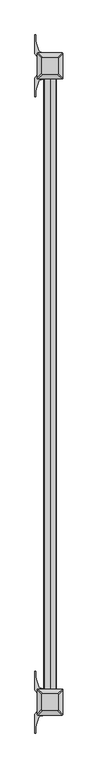
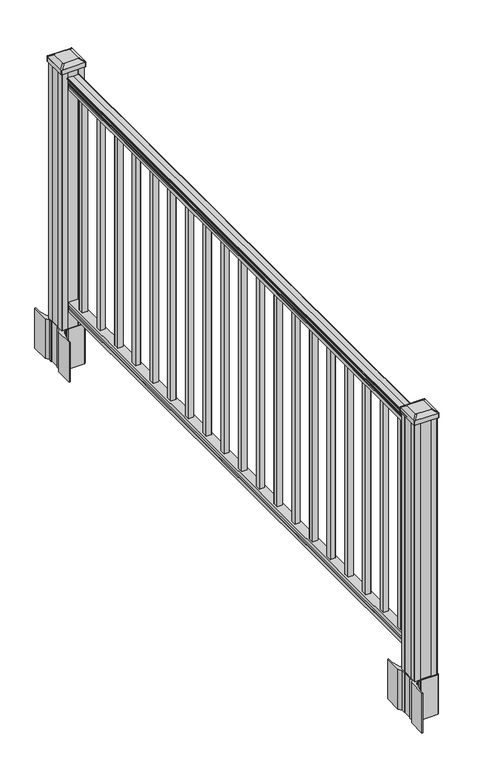
"""IFC4 building model written with IfcOpenShell, lengths in millimetres: railing geometry."""

from ifc_helpers import new_model, si_unit, point, frame, frame_2d, origin, origin_with_axes, place, context, project, spatial, polyline, circle_curve, trimmed, segment, composite_curve, outline, extrude, source, transform, mapped, element, save
from ifc_brep_helpers import plane_surface, extruded_surface, advanced_brep


def railing_696e8244(model_context):
    return source(origin(), model_context, "Body", "SolidModel", [
        extrude(outline(composite_curve([segment(polyline([(938.4043297, 416.8116941), (940.292412, 416.8116941)]), True, "CONTINUOUS"), segment(trimmed(circle_curve(frame_2d((946.0506383, 410.4969408)), 8.545951), [point((940.292412, 416.8116941))], [point((941.8546695, 417.9418804))], False, "CARTESIAN"), True, "CONTINUOUS"), segment(trimmed(circle_curve(frame_2d((945.4636577, 410.9340038)), 7.882584), [point((941.8546695, 417.9418804))], [point((949.0726458, 417.9418804))], False, "CARTESIAN"), True, "CONTINUOUS"), segment(trimmed(circle_curve(frame_2d((951.3112527, 421.4473279)), 4.1592695), [point((949.0726458, 417.9418804))], [point((951.5060812, 417.292624))], True, "CARTESIAN"), True, "CONTINUOUS"), segment(trimmed(circle_curve(frame_2d((951.2508864, 422.7346345)), 5.4479907), [point((951.5060812, 417.292624))], [point((955.8362083, 419.792624))], True, "CARTESIAN"), True, "CONTINUOUS"), segment(trimmed(circle_curve(frame_2d((955.833395, 421.501476)), 1.7088543), [point((955.8362083, 419.792624))], [point((957.5157972, 421.2019664))], True, "CARTESIAN"), True, "CONTINUOUS"), segment(trimmed(circle_curve(frame_2d((958.6205318, 419.8845759)), 1.7192895), [point((957.5157972, 421.2019664))], [point((958.6205318, 421.6038654))], False, "CARTESIAN"), True, "CONTINUOUS"), segment(polyline([(958.6205318, 421.6038654), (959.9608158, 421.6038654)]), True, "CONTINUOUS"), segment(trimmed(circle_curve(frame_2d((959.9608158, 420.0504181)), 1.5534472), [point((959.9608158, 421.6038654))], [point((961.514263, 420.0504181))], False, "CARTESIAN"), True, "CONTINUOUS"), segment(polyline([(961.514263, 420.0504181), (961.514263, 399.3788654), (961.514263, 378.7073126)]), True, "CONTINUOUS"), segment(trimmed(circle_curve(frame_2d((959.9608158, 378.7073126)), 1.5534472), [point((961.514263, 378.7073126))], [point((959.9608158, 377.1538654))], False, "CARTESIAN"), True, "CONTINUOUS"), segment(polyline([(959.9608158, 377.1538654), (958.6205318, 377.1538654)]), True, "CONTINUOUS"), segment(trimmed(circle_curve(frame_2d((958.6205318, 378.8731548)), 1.7192895), [point((958.6205318, 377.1538654))], [point((957.5157972, 377.5557643))], False, "CARTESIAN"), True, "CONTINUOUS"), segment(trimmed(circle_curve(frame_2d((955.833395, 377.2562547)), 1.7088543), [point((957.5157972, 377.5557643))], [point((955.8362083, 378.9651067))], True, "CARTESIAN"), True, "CONTINUOUS"), segment(trimmed(circle_curve(frame_2d((951.2508864, 376.0230963)), 5.4479907), [point((955.8362083, 378.9651067))], [point((951.5060812, 381.4651067))], True, "CARTESIAN"), True, "CONTINUOUS"), segment(trimmed(circle_curve(frame_2d((951.3112527, 377.3104028)), 4.1592695), [point((951.5060812, 381.4651067))], [point((949.0726458, 380.8158503))], True, "CARTESIAN"), True, "CONTINUOUS"), segment(trimmed(circle_curve(frame_2d((945.4636577, 387.8237269)), 7.882584), [point((949.0726458, 380.8158503))], [point((941.8546695, 380.8158503))], False, "CARTESIAN"), True, "CONTINUOUS"), segment(trimmed(circle_curve(frame_2d((946.0506383, 388.2607899)), 8.545951), [point((941.8546695, 380.8158503))], [point((940.292412, 381.9460366))], False, "CARTESIAN"), True, "CONTINUOUS"), segment(polyline([(940.292412, 381.9460366), (938.4043297, 381.9460366)]), True, "CONTINUOUS"), segment(trimmed(circle_curve(frame_2d((938.4043297, 383.232951)), 1.2869144), [point((938.4043297, 381.9460366))], [point((938.4043297, 384.5198654))], False, "CARTESIAN"), True, "CONTINUOUS"), segment(polyline([(938.4043297, 384.5198654), (927.9048283, 384.5198654), (926.8888283, 383.5038654), (914.4, 383.5038654), (914.4, 415.2538654), (926.731013, 415.2538654), (927.747013, 414.2378654), (938.4043297, 414.2378654)]), True, "CONTINUOUS"), segment(trimmed(circle_curve(frame_2d((938.4043297, 415.5247797)), 1.2869144), [point((938.4043297, 414.2378654))], [point((938.4043297, 416.8116941))], False, "CARTESIAN"), True, "CONTINUOUS")], self_intersect=False)), frame((0.0, -6619.2427062, 0.0), z_axis=(0.0, 1.0, 0.0), x_axis=(0.0, 0.0, 1.0)), (0.0, 0.0, 1.0), 2133.6),
        extrude(outline(polyline([(76.0541976, 415.2913523), (77.3546183, 414.2753523), (87.7141717, 414.2753523), (89.0624492, 415.2913523), (101.5958781, 415.2913523), (101.5958781, 383.5413523), (89.0458024, 383.5413523), (87.6975248, 384.5573523), (77.3858283, 384.5573523), (76.0375508, 383.5413523), (63.5, 383.5413523), (63.5, 415.2913523), (76.0541976, 415.2913523)])), frame((0.0, -6619.2427062, 0.0), z_axis=(0.0, 1.0, 0.0), x_axis=(0.0, 0.0, 1.0)), (0.0, 0.0, 1.0), 2133.6),
        extrude(outline(polyline([(408.9038654, -4559.4297062), (389.8538654, -4559.4297062), (389.8538654, -4540.3797062), (408.9038654, -4540.3797062), (408.9038654, -4559.4297062)]), holes=[polyline([(408.5069904, -4559.0328312), (408.5069904, -4540.7765812), (390.2507404, -4540.7765812), (390.2507404, -4559.0328312), (408.5069904, -4559.0328312)])]), frame((0.0, 0.0, 101.5958781), z_axis=(0.0, 0.0, 1.0), x_axis=(1.0, 0.0, 0.0)), (0.0, 0.0, 1.0), 812.8041219),
        extrude(outline(polyline([(408.9038654, -4670.6817062), (389.8538654, -4670.6817062), (389.8538654, -4651.6317062), (408.9038654, -4651.6317062), (408.9038654, -4670.6817062)]), holes=[polyline([(408.5069904, -4670.2848312), (408.5069904, -4652.0285812), (390.2507404, -4652.0285812), (390.2507404, -4670.2848312), (408.5069904, -4670.2848312)])]), frame((0.0, 0.0, 101.5958781), z_axis=(0.0, 0.0, 1.0), x_axis=(1.0, 0.0, 0.0)), (0.0, 0.0, 1.0), 812.8041219),
        extrude(outline(polyline([(408.9038654, -4781.9337062), (389.8538654, -4781.9337062), (389.8538654, -4762.8837062), (408.9038654, -4762.8837062), (408.9038654, -4781.9337062)]), holes=[polyline([(408.5069904, -4781.5368312), (408.5069904, -4763.2805812), (390.2507404, -4763.2805812), (390.2507404, -4781.5368312), (408.5069904, -4781.5368312)])]), frame((0.0, 0.0, 101.5958781), z_axis=(0.0, 0.0, 1.0), x_axis=(1.0, 0.0, 0.0)), (0.0, 0.0, 1.0), 812.8041219),
        extrude(outline(polyline([(408.9038654, -4893.1857062), (389.8538654, -4893.1857062), (389.8538654, -4874.1357062), (408.9038654, -4874.1357062), (408.9038654, -4893.1857062)]), holes=[polyline([(408.5069904, -4892.7888312), (408.5069904, -4874.5325812), (390.2507404, -4874.5325812), (390.2507404, -4892.7888312), (408.5069904, -4892.7888312)])]), frame((0.0, 0.0, 101.5958781), z_axis=(0.0, 0.0, 1.0), x_axis=(1.0, 0.0, 0.0)), (0.0, 0.0, 1.0), 812.8041219),
        extrude(outline(polyline([(408.9038654, -5004.4377062), (389.8538654, -5004.4377062), (389.8538654, -4985.3877062), (408.9038654, -4985.3877062), (408.9038654, -5004.4377062)]), holes=[polyline([(408.5069904, -5004.0408312), (408.5069904, -4985.7845812), (390.2507404, -4985.7845812), (390.2507404, -5004.0408312), (408.5069904, -5004.0408312)])]), frame((0.0, 0.0, 101.5958781), z_axis=(0.0, 0.0, 1.0), x_axis=(1.0, 0.0, 0.0)), (0.0, 0.0, 1.0), 812.8041219),
        extrude(outline(polyline([(408.9038654, -5115.6897062), (389.8538654, -5115.6897062), (389.8538654, -5096.6397062), (408.9038654, -5096.6397062), (408.9038654, -5115.6897062)]), holes=[polyline([(408.5069904, -5115.2928312), (408.5069904, -5097.0365812), (390.2507404, -5097.0365812), (390.2507404, -5115.2928312), (408.5069904, -5115.2928312)])]), frame((0.0, 0.0, 101.5958781), z_axis=(0.0, 0.0, 1.0), x_axis=(1.0, 0.0, 0.0)), (0.0, 0.0, 1.0), 812.8041219),
        extrude(outline(polyline([(408.9038654, -5226.9417062), (389.8538654, -5226.9417062), (389.8538654, -5207.8917062), (408.9038654, -5207.8917062), (408.9038654, -5226.9417062)]), holes=[polyline([(408.5069904, -5226.5448312), (408.5069904, -5208.2885812), (390.2507404, -5208.2885812), (390.2507404, -5226.5448312), (408.5069904, -5226.5448312)])]), frame((0.0, 0.0, 101.5958781), z_axis=(0.0, 0.0, 1.0), x_axis=(1.0, 0.0, 0.0)), (0.0, 0.0, 1.0), 812.8041219),
        extrude(outline(polyline([(408.9038654, -5338.1937062), (389.8538654, -5338.1937062), (389.8538654, -5319.1437062), (408.9038654, -5319.1437062), (408.9038654, -5338.1937062)]), holes=[polyline([(408.5069904, -5337.7968312), (408.5069904, -5319.5405812), (390.2507404, -5319.5405812), (390.2507404, -5337.7968312), (408.5069904, -5337.7968312)])]), frame((0.0, 0.0, 101.5958781), z_axis=(0.0, 0.0, 1.0), x_axis=(1.0, 0.0, 0.0)), (0.0, 0.0, 1.0), 812.8041219),
        extrude(outline(polyline([(408.9038654, -5449.4457062), (389.8538654, -5449.4457062), (389.8538654, -5430.3957062), (408.9038654, -5430.3957062), (408.9038654, -5449.4457062)]), holes=[polyline([(408.5069904, -5449.0488312), (408.5069904, -5430.7925812), (390.2507404, -5430.7925812), (390.2507404, -5449.0488312), (408.5069904, -5449.0488312)])]), frame((0.0, 0.0, 101.5958781), z_axis=(0.0, 0.0, 1.0), x_axis=(1.0, 0.0, 0.0)), (0.0, 0.0, 1.0), 812.8041219),
        extrude(outline(polyline([(408.9038654, -5560.6977062), (389.8538654, -5560.6977062), (389.8538654, -5541.6477062), (408.9038654, -5541.6477062), (408.9038654, -5560.6977062)]), holes=[polyline([(408.5069904, -5560.3008312), (408.5069904, -5542.0445812), (390.2507404, -5542.0445812), (390.2507404, -5560.3008312), (408.5069904, -5560.3008312)])]), frame((0.0, 0.0, 101.5958781), z_axis=(0.0, 0.0, 1.0), x_axis=(1.0, 0.0, 0.0)), (0.0, 0.0, 1.0), 812.8041219),
        extrude(outline(polyline([(408.9038654, -5671.9497062), (389.8538654, -5671.9497062), (389.8538654, -5652.8997062), (408.9038654, -5652.8997062), (408.9038654, -5671.9497062)]), holes=[polyline([(408.5069904, -5671.5528312), (408.5069904, -5653.2965812), (390.2507404, -5653.2965812), (390.2507404, -5671.5528312), (408.5069904, -5671.5528312)])]), frame((0.0, 0.0, 101.5958781), z_axis=(0.0, 0.0, 1.0), x_axis=(1.0, 0.0, 0.0)), (0.0, 0.0, 1.0), 812.8041219),
        extrude(outline(polyline([(408.9038654, -5783.2017062), (389.8538654, -5783.2017062), (389.8538654, -5764.1517062), (408.9038654, -5764.1517062), (408.9038654, -5783.2017062)]), holes=[polyline([(408.5069904, -5782.8048312), (408.5069904, -5764.5485812), (390.2507404, -5764.5485812), (390.2507404, -5782.8048312), (408.5069904, -5782.8048312)])]), frame((0.0, 0.0, 101.5958781), z_axis=(0.0, 0.0, 1.0), x_axis=(1.0, 0.0, 0.0)), (0.0, 0.0, 1.0), 812.8041219),
        extrude(outline(polyline([(408.9038654, -5894.4537062), (389.8538654, -5894.4537062), (389.8538654, -5875.4037062), (408.9038654, -5875.4037062), (408.9038654, -5894.4537062)]), holes=[polyline([(408.5069904, -5894.0568312), (408.5069904, -5875.8005812), (390.2507404, -5875.8005812), (390.2507404, -5894.0568312), (408.5069904, -5894.0568312)])]), frame((0.0, 0.0, 101.5958781), z_axis=(0.0, 0.0, 1.0), x_axis=(1.0, 0.0, 0.0)), (0.0, 0.0, 1.0), 812.8041219),
        extrude(outline(polyline([(408.9038654, -6005.7057062), (389.8538654, -6005.7057062), (389.8538654, -5986.6557062), (408.9038654, -5986.6557062), (408.9038654, -6005.7057062)]), holes=[polyline([(408.5069904, -6005.3088312), (408.5069904, -5987.0525812), (390.2507404, -5987.0525812), (390.2507404, -6005.3088312), (408.5069904, -6005.3088312)])]), frame((0.0, 0.0, 101.5958781), z_axis=(0.0, 0.0, 1.0), x_axis=(1.0, 0.0, 0.0)), (0.0, 0.0, 1.0), 812.8041219),
        extrude(outline(polyline([(408.9038654, -6116.9577062), (389.8538654, -6116.9577062), (389.8538654, -6097.9077062), (408.9038654, -6097.9077062), (408.9038654, -6116.9577062)]), holes=[polyline([(408.5069904, -6116.5608312), (408.5069904, -6098.3045812), (390.2507404, -6098.3045812), (390.2507404, -6116.5608312), (408.5069904, -6116.5608312)])]), frame((0.0, 0.0, 101.5958781), z_axis=(0.0, 0.0, 1.0), x_axis=(1.0, 0.0, 0.0)), (0.0, 0.0, 1.0), 812.8041219),
        extrude(outline(polyline([(408.9038654, -6228.2097062), (389.8538654, -6228.2097062), (389.8538654, -6209.1597062), (408.9038654, -6209.1597062), (408.9038654, -6228.2097062)]), holes=[polyline([(408.5069904, -6227.8128312), (408.5069904, -6209.5565812), (390.2507404, -6209.5565812), (390.2507404, -6227.8128312), (408.5069904, -6227.8128312)])]), frame((0.0, 0.0, 101.5958781), z_axis=(0.0, 0.0, 1.0), x_axis=(1.0, 0.0, 0.0)), (0.0, 0.0, 1.0), 812.8041219),
        extrude(outline(polyline([(408.9038654, -6339.4617062), (389.8538654, -6339.4617062), (389.8538654, -6320.4117062), (408.9038654, -6320.4117062), (408.9038654, -6339.4617062)]), holes=[polyline([(408.5069904, -6339.0648312), (408.5069904, -6320.8085812), (390.2507404, -6320.8085812), (390.2507404, -6339.0648312), (408.5069904, -6339.0648312)])]), frame((0.0, 0.0, 101.5958781), z_axis=(0.0, 0.0, 1.0), x_axis=(1.0, 0.0, 0.0)), (0.0, 0.0, 1.0), 812.8041219),
        extrude(outline(polyline([(408.9038654, -6450.7137062), (389.8538654, -6450.7137062), (389.8538654, -6431.6637062), (408.9038654, -6431.6637062), (408.9038654, -6450.7137062)]), holes=[polyline([(408.5069904, -6450.3168312), (408.5069904, -6432.0605812), (390.2507404, -6432.0605812), (390.2507404, -6450.3168312), (408.5069904, -6450.3168312)])]), frame((0.0, 0.0, 101.5958781), z_axis=(0.0, 0.0, 1.0), x_axis=(1.0, 0.0, 0.0)), (0.0, 0.0, 1.0), 812.8041219),
        extrude(outline(polyline([(408.9038654, -6561.9657062), (389.8538654, -6561.9657062), (389.8538654, -6542.9157062), (408.9038654, -6542.9157062), (408.9038654, -6561.9657062)]), holes=[polyline([(408.5069904, -6561.5688312), (408.5069904, -6543.3125812), (390.2507404, -6543.3125812), (390.2507404, -6561.5688312), (408.5069904, -6561.5688312)])]), frame((0.0, 0.0, 101.5958781), z_axis=(0.0, 0.0, 1.0), x_axis=(1.0, 0.0, 0.0)), (0.0, 0.0, 1.0), 812.8041219),
        extrude(outline(composite_curve([segment(polyline([(442.1143654, -4461.626801), (443.7018654, -4462.388801), (443.7018654, -4485.1907291), (440.3288883, -4488.5637062), (378.8692175, -4488.5637062), (378.8692175, -4489.4844562), (373.5516736, -4489.4844562), (373.5516736, -4490.9387108), (368.4671439, -4490.9387108), (368.4671439, -4492.2227347), (366.7998717, -4492.2227347)]), True, "CONTINUOUS"), segment(trimmed(circle_curve(frame_2d((366.7998717, -4499.2821945)), 7.0594599), [point((366.7998717, -4492.2227347))], [point((360.0326088, -4497.2721879))], True, "CARTESIAN"), True, "CONTINUOUS"), segment(polyline([(360.0326088, -4497.2721879), (352.1584145, -4523.7829169)]), True, "CONTINUOUS"), segment(trimmed(circle_curve(frame_2d((406.9429279, -4540.0549666)), 57.15), [point((352.1584145, -4523.7829169))], [point((349.7929279, -4540.0549666))], True, "CARTESIAN"), True, "CONTINUOUS"), segment(polyline([(349.7929279, -4540.0549666), (349.7929279, -4552.0637062), (346.7929279, -4552.0637062), (346.7929279, -4486.9762062), (355.0558654, -4475.6379148), (355.0558654, -4462.388801), (356.6433654, -4461.626801), (356.6433654, -4426.8546113), (355.0558654, -4426.0926113), (355.0558654, -4412.8434975), (346.7929279, -4401.5052062), (346.7929279, -4336.4177062), (349.7929279, -4336.4177062), (349.7929279, -4348.4264457)]), True, "CONTINUOUS"), segment(trimmed(circle_curve(frame_2d((406.9429279, -4348.4264457)), 57.15), [point((349.7929279, -4348.4264457))], [point((352.1584145, -4364.6984954))], True, "CARTESIAN"), True, "CONTINUOUS"), segment(polyline([(352.1584145, -4364.6984954), (360.0326088, -4391.2092245)]), True, "CONTINUOUS"), segment(trimmed(circle_curve(frame_2d((366.7998717, -4389.1992178)), 7.0594599), [point((360.0326088, -4391.2092245))], [point((366.7998717, -4396.2586776))], True, "CARTESIAN"), True, "CONTINUOUS"), segment(polyline([(366.7998717, -4396.2586776), (368.4671439, -4396.2586776), (368.4671439, -4397.5427015), (373.5516736, -4397.5427015), (373.5516736, -4398.9969562), (378.8692175, -4398.9969562), (378.8692175, -4399.9177062), (440.3288883, -4399.9177062), (443.7018654, -4403.2906832), (443.7018654, -4426.0926113), (442.1143654, -4426.8546113), (442.1143654, -4461.626801)]), True, "CONTINUOUS")], self_intersect=False), holes=[polyline([(358.1038654, -4404.5532062), (358.1038654, -4483.9282062), (359.6913654, -4485.5157062), (396.615648, -4485.5157062), (439.0663654, -4485.5157062), (440.6538654, -4483.9282062), (440.6538654, -4404.5532062), (439.0663654, -4402.9657062), (396.615648, -4402.9657062), (359.6913654, -4402.9657062), (358.1038654, -4404.5532062)])]), frame((0.0, 0.0, -152.4), z_axis=(0.0, 0.0, 1.0), x_axis=(1.0, 0.0, 0.0)), (0.0, 0.0, 1.0), 152.4),
        advanced_brep(
        [(373.5819904, -4473.2125812, 1012.825), (425.1757404, -4473.2125812, 1012.825), (428.3507404, -4470.0375812, 1012.825), (428.3507404, -4418.4438312, 1012.825), (425.1757404, -4415.2688312, 1012.825), (373.5819904, -4415.2688312, 1012.825), (370.4069904, -4418.4438312, 1012.825), (370.4069904, -4470.0375812, 1012.825), (357.3101154, -4489.4844562, 1001.522), (354.1351154, -4486.3094562, 1001.522), (354.1351154, -4402.1719562, 1001.522), (357.3101154, -4398.9969562, 1001.522), (441.4476154, -4398.9969562, 1001.522), (444.6226154, -4402.1719562, 1001.522), (444.6226154, -4486.3094562, 1001.522), (441.4476154, -4489.4844562, 1001.522)],
        [
            (0, 1),
            (1, 2, circle_curve(frame((425.1757404, -4470.0375812, 1012.825), z_axis=(0.0, 0.0, 1.0), x_axis=(0.0, 1.0, 0.0)), 3.175)),
            (2, 3),
            (3, 4, circle_curve(frame((425.1757404, -4418.4438312, 1012.825), z_axis=(0.0, 0.0, 1.0), x_axis=(0.0, 1.0, 0.0)), 3.175)),
            (4, 5),
            (5, 6, circle_curve(frame((373.5819904, -4418.4438312, 1012.825), z_axis=(0.0, 0.0, 1.0), x_axis=(0.0, 1.0, 0.0)), 3.175)),
            (6, 7),
            (7, 0, circle_curve(frame((373.5819904, -4470.0375812, 1012.825), z_axis=(0.0, 0.0, 1.0), x_axis=(0.0, 1.0, 0.0)), 3.175)),
            (8, 9, circle_curve(frame((357.3101154, -4486.3094562, 1001.522), z_axis=(0.0, 0.0, -1.0), x_axis=(0.0, 1.0, 0.0)), 3.175)),
            (9, 10),
            (10, 11, circle_curve(frame((357.3101154, -4402.1719562, 1001.522), z_axis=(0.0, 0.0, -1.0), x_axis=(0.0, 1.0, 0.0)), 3.175)),
            (11, 12),
            (12, 13, circle_curve(frame((441.4476154, -4402.1719562, 1001.522), z_axis=(0.0, 0.0, -1.0), x_axis=(0.0, 1.0, 0.0)), 3.175)),
            (13, 14),
            (14, 15, circle_curve(frame((441.4476154, -4486.3094562, 1001.522), z_axis=(0.0, 0.0, -1.0), x_axis=(0.0, 1.0, 0.0)), 3.175)),
            (15, 8),
            (8, 0),
            (7, 9),
            (6, 10),
            (5, 11),
            (4, 12),
            (3, 13),
            (2, 14),
            (1, 15),
        ],
        [
            plane_surface(frame((399.3788654, -4444.2407062, 1012.825), z_axis=(0.0, 0.0, 1.0), x_axis=(-1.0, 0.0, 0.0))),
            plane_surface(frame((399.3788654, -4444.2407062, 1001.522), z_axis=(0.0, 0.0, -1.0), x_axis=(-1.0, 0.0, 0.0))),
            extruded_surface(trimmed(circle_curve(frame((373.5819904, -4470.0375812, 1012.825), z_axis=(0.0, 0.0, -1.0), x_axis=(0.0, 1.0, 0.0)), 3.175), [point((373.5819904, -4473.2125812, 1012.825))], [point((370.4069904, -4470.0375812, 1012.825))], True, "CARTESIAN"), (-16.271875000000023, -16.271874999999454, -11.302999999999997), 25.63797263886583),
            plane_surface(frame((354.1351154, -4444.2407062, 1001.522), z_axis=(-0.5705009161540779, 0.0, 0.8212969649690408), x_axis=(0.0, 1.0, 0.0))),
            extruded_surface(trimmed(circle_curve(frame((373.5819904, -4418.4438312, 1012.825), z_axis=(0.0, 0.0, -1.0), x_axis=(0.0, 1.0, 0.0)), 3.175), [point((370.4069904, -4418.4438312, 1012.825))], [point((373.5819904, -4415.2688312, 1012.825))], True, "CARTESIAN"), (-16.271875000000023, 16.271875000000364, -11.302999999999997), 25.637972638866405),
            plane_surface(frame((399.3788654, -4398.9969562, 1001.522), z_axis=(0.0, 0.5705009161540291, 0.8212969649690747), x_axis=(1.0, 0.0, 0.0))),
            extruded_surface(trimmed(circle_curve(frame((425.1757404, -4418.4438312, 1012.825), z_axis=(0.0, 0.0, -1.0), x_axis=(0.0, 1.0, 0.0)), 3.175), [point((425.1757404, -4415.2688312, 1012.825))], [point((428.3507404, -4418.4438312, 1012.825))], True, "CARTESIAN"), (16.271875000000023, 16.271875000000364, -11.302999999999997), 25.637972638866405),
            plane_surface(frame((444.6226154, -4444.2407062, 1001.522), z_axis=(0.5705009161540141, 0.0, 0.8212969649690851), x_axis=(0.0, -1.0, 0.0))),
            extruded_surface(trimmed(circle_curve(frame((425.1757404, -4470.0375812, 1012.825), z_axis=(0.0, 0.0, -1.0), x_axis=(0.0, 1.0, 0.0)), 3.175), [point((428.3507404, -4470.0375812, 1012.825))], [point((425.1757404, -4473.2125812, 1012.825))], True, "CARTESIAN"), (16.271875000000023, -16.271874999999454, -11.302999999999997), 25.63797263886583),
            plane_surface(frame((399.3788654, -4489.4844562, 1001.522), z_axis=(0.0, -0.570500916154034, 0.8212969649690713), x_axis=(-1.0, 0.0, 0.0))),
        ],
        [
            (0, [[1, 2, 3, 4, 5, 6, 7, 8]]),
            (1, [[9, 10, 11, 12, 13, 14, 15, 16]]),
            (2, [[17, -8, 18, -9]]),
            (3, [[-18, -7, 19, -10]]),
            (4, [[-19, -6, 20, -11]]),
            (5, [[-20, -5, 21, -12]]),
            (6, [[-21, -4, 22, -13]]),
            (7, [[-22, -3, 23, -14]]),
            (8, [[-23, -2, 24, -15]]),
            (9, [[-24, -1, -17, -16]]),
        ],
    ),
        extrude(outline(composite_curve([segment(trimmed(circle_curve(frame_2d((357.3101154, -4486.3094562)), 3.175), [point((357.3101154, -4489.4844562))], [point((354.1351154, -4486.3094562))], False, "CARTESIAN"), True, "CONTINUOUS"), segment(polyline([(354.1351154, -4486.3094562), (354.1351154, -4402.1719562)]), True, "CONTINUOUS"), segment(trimmed(circle_curve(frame_2d((357.3101154, -4402.1719562)), 3.175), [point((354.1351154, -4402.1719562))], [point((357.3101154, -4398.9969562))], False, "CARTESIAN"), True, "CONTINUOUS"), segment(polyline([(357.3101154, -4398.9969562), (441.4476154, -4398.9969562)]), True, "CONTINUOUS"), segment(trimmed(circle_curve(frame_2d((441.4476154, -4402.1719562)), 3.175), [point((441.4476154, -4398.9969562))], [point((444.6226154, -4402.1719562))], False, "CARTESIAN"), True, "CONTINUOUS"), segment(polyline([(444.6226154, -4402.1719562), (444.6226154, -4486.3094562)]), True, "CONTINUOUS"), segment(trimmed(circle_curve(frame_2d((441.4476154, -4486.3094562)), 3.175), [point((444.6226154, -4486.3094562))], [point((441.4476154, -4489.4844562))], False, "CARTESIAN"), True, "CONTINUOUS"), segment(polyline([(441.4476154, -4489.4844562), (357.3101154, -4489.4844562)]), True, "CONTINUOUS")], self_intersect=False)), frame((0.0, 0.0, 984.25), z_axis=(0.0, 0.0, 1.0), x_axis=(1.0, 0.0, 0.0)), (0.0, 0.0, 1.0), 17.272),
        extrude(outline(polyline([(359.6913654, -4485.5157062), (358.1038654, -4483.9282062), (358.1038654, -4464.3067062), (359.6913654, -4463.5447062), (359.6913654, -4424.9367062), (358.1038654, -4424.1747062), (358.1038654, -4404.5532062), (359.6913654, -4402.9657062), (379.3128654, -4402.9657062), (380.0748654, -4404.5532062), (418.6828654, -4404.5532062), (419.4448654, -4402.9657062), (439.0663654, -4402.9657062), (440.6538654, -4404.5532062), (440.6538654, -4424.1747062), (439.0663654, -4424.9367062), (439.0663654, -4463.5447062), (440.6538654, -4464.3067062), (440.6538654, -4483.9282062), (439.0663654, -4485.5157062), (419.4448654, -4485.5157062), (418.6828654, -4483.9282062), (380.0748654, -4483.9282062), (379.3128654, -4485.5157062), (359.6913654, -4485.5157062)])), origin_with_axes(), (0.0, 0.0, 1.0), 984.25),
        extrude(outline(composite_curve([segment(polyline([(442.1143654, -6678.030801), (443.7018654, -6678.792801), (443.7018654, -6701.5947291), (440.3288883, -6704.9677062), (378.8692175, -6704.9677062), (378.8692175, -6705.8884562), (373.5516736, -6705.8884562), (373.5516736, -6707.3427108), (368.4671439, -6707.3427108), (368.4671439, -6708.6267347), (366.7998717, -6708.6267347)]), True, "CONTINUOUS"), segment(trimmed(circle_curve(frame_2d((366.7998717, -6715.6861945)), 7.0594599), [point((366.7998717, -6708.6267347))], [point((360.0326088, -6713.6761879))], True, "CARTESIAN"), True, "CONTINUOUS"), segment(polyline([(360.0326088, -6713.6761879), (352.1584145, -6740.1869169)]), True, "CONTINUOUS"), segment(trimmed(circle_curve(frame_2d((406.9429279, -6756.4589666)), 57.15), [point((352.1584145, -6740.1869169))], [point((349.7929279, -6756.4589666))], True, "CARTESIAN"), True, "CONTINUOUS"), segment(polyline([(349.7929279, -6756.4589666), (349.7929279, -6768.4677062), (346.7929279, -6768.4677062), (346.7929279, -6703.3802062), (355.0558654, -6692.0419148), (355.0558654, -6678.792801), (356.6433654, -6678.030801), (356.6433654, -6643.2586113), (355.0558654, -6642.4966113), (355.0558654, -6629.2474975), (346.7929279, -6617.9092062), (346.7929279, -6552.8217062), (349.7929279, -6552.8217062), (349.7929279, -6564.8304457)]), True, "CONTINUOUS"), segment(trimmed(circle_curve(frame_2d((406.9429279, -6564.8304457)), 57.15), [point((349.7929279, -6564.8304457))], [point((352.1584145, -6581.1024954))], True, "CARTESIAN"), True, "CONTINUOUS"), segment(polyline([(352.1584145, -6581.1024954), (360.0326088, -6607.6132245)]), True, "CONTINUOUS"), segment(trimmed(circle_curve(frame_2d((366.7998717, -6605.6032178)), 7.0594599), [point((360.0326088, -6607.6132245))], [point((366.7998717, -6612.6626776))], True, "CARTESIAN"), True, "CONTINUOUS"), segment(polyline([(366.7998717, -6612.6626776), (368.4671439, -6612.6626776), (368.4671439, -6613.9467015), (373.5516736, -6613.9467015), (373.5516736, -6615.4009562), (378.8692175, -6615.4009562), (378.8692175, -6616.3217062), (440.3288883, -6616.3217062), (443.7018654, -6619.6946832), (443.7018654, -6642.4966113), (442.1143654, -6643.2586113), (442.1143654, -6678.030801)]), True, "CONTINUOUS")], self_intersect=False), holes=[polyline([(358.1038654, -6620.9572062), (358.1038654, -6700.3322062), (359.6913654, -6701.9197062), (396.615648, -6701.9197062), (439.0663654, -6701.9197062), (440.6538654, -6700.3322062), (440.6538654, -6620.9572062), (439.0663654, -6619.3697062), (396.615648, -6619.3697062), (359.6913654, -6619.3697062), (358.1038654, -6620.9572062)])]), frame((0.0, 0.0, -152.4), z_axis=(0.0, 0.0, 1.0), x_axis=(1.0, 0.0, 0.0)), (0.0, 0.0, 1.0), 152.4),
        advanced_brep(
        [(373.5819904, -6689.6165812, 1012.825), (425.1757404, -6689.6165812, 1012.825), (428.3507404, -6686.4415812, 1012.825), (428.3507404, -6634.8478312, 1012.825), (425.1757404, -6631.6728312, 1012.825), (373.5819904, -6631.6728312, 1012.825), (370.4069904, -6634.8478312, 1012.825), (370.4069904, -6686.4415812, 1012.825), (357.3101154, -6705.8884562, 1001.522), (354.1351154, -6702.7134562, 1001.522), (354.1351154, -6618.5759562, 1001.522), (357.3101154, -6615.4009562, 1001.522), (441.4476154, -6615.4009562, 1001.522), (444.6226154, -6618.5759562, 1001.522), (444.6226154, -6702.7134562, 1001.522), (441.4476154, -6705.8884562, 1001.522)],
        [
            (0, 1),
            (1, 2, circle_curve(frame((425.1757404, -6686.4415812, 1012.825), z_axis=(0.0, 0.0, 1.0), x_axis=(0.0, 1.0, 0.0)), 3.175)),
            (2, 3),
            (3, 4, circle_curve(frame((425.1757404, -6634.8478312, 1012.825), z_axis=(0.0, 0.0, 1.0), x_axis=(0.0, 1.0, 0.0)), 3.175)),
            (4, 5),
            (5, 6, circle_curve(frame((373.5819904, -6634.8478312, 1012.825), z_axis=(0.0, 0.0, 1.0), x_axis=(0.0, 1.0, 0.0)), 3.175)),
            (6, 7),
            (7, 0, circle_curve(frame((373.5819904, -6686.4415812, 1012.825), z_axis=(0.0, 0.0, 1.0), x_axis=(0.0, 1.0, 0.0)), 3.175)),
            (8, 9, circle_curve(frame((357.3101154, -6702.7134562, 1001.522), z_axis=(0.0, 0.0, -1.0), x_axis=(0.0, 1.0, 0.0)), 3.175)),
            (9, 10),
            (10, 11, circle_curve(frame((357.3101154, -6618.5759562, 1001.522), z_axis=(0.0, 0.0, -1.0), x_axis=(0.0, 1.0, 0.0)), 3.175)),
            (11, 12),
            (12, 13, circle_curve(frame((441.4476154, -6618.5759562, 1001.522), z_axis=(0.0, 0.0, -1.0), x_axis=(0.0, 1.0, 0.0)), 3.175)),
            (13, 14),
            (14, 15, circle_curve(frame((441.4476154, -6702.7134562, 1001.522), z_axis=(0.0, 0.0, -1.0), x_axis=(0.0, 1.0, 0.0)), 3.175)),
            (15, 8),
            (8, 0),
            (7, 9),
            (6, 10),
            (5, 11),
            (4, 12),
            (3, 13),
            (2, 14),
            (1, 15),
        ],
        [
            plane_surface(frame((399.3788654, -6660.6447062, 1012.825), z_axis=(0.0, 0.0, 1.0), x_axis=(-1.0, 0.0, 0.0))),
            plane_surface(frame((399.3788654, -6660.6447062, 1001.522), z_axis=(0.0, 0.0, -1.0), x_axis=(-1.0, 0.0, 0.0))),
            extruded_surface(trimmed(circle_curve(frame((373.5819904, -6686.4415812, 1012.825), z_axis=(0.0, 0.0, -1.0), x_axis=(0.0, 1.0, 0.0)), 3.175), [point((373.5819904, -6689.6165812, 1012.825))], [point((370.4069904, -6686.4415812, 1012.825))], True, "CARTESIAN"), (-16.271875000000023, -16.271875000000364, -11.302999999999997), 25.637972638866405),
            plane_surface(frame((354.1351154, -6660.6447062, 1001.522), z_axis=(-0.5705009161540779, 0.0, 0.8212969649690408), x_axis=(0.0, 1.0, 0.0))),
            extruded_surface(trimmed(circle_curve(frame((373.5819904, -6634.8478312, 1012.825), z_axis=(0.0, 0.0, -1.0), x_axis=(0.0, 1.0, 0.0)), 3.175), [point((370.4069904, -6634.8478312, 1012.825))], [point((373.5819904, -6631.6728312, 1012.825))], True, "CARTESIAN"), (-16.271875000000023, 16.271874999999454, -11.302999999999997), 25.63797263886583),
            plane_surface(frame((399.3788654, -6615.4009562, 1001.522), z_axis=(0.0, 0.5705009161540291, 0.8212969649690747), x_axis=(1.0, 0.0, 0.0))),
            extruded_surface(trimmed(circle_curve(frame((425.1757404, -6634.8478312, 1012.825), z_axis=(0.0, 0.0, -1.0), x_axis=(0.0, 1.0, 0.0)), 3.175), [point((425.1757404, -6631.6728312, 1012.825))], [point((428.3507404, -6634.8478312, 1012.825))], True, "CARTESIAN"), (16.271875000000023, 16.271874999999454, -11.302999999999997), 25.63797263886583),
            plane_surface(frame((444.6226154, -6660.6447062, 1001.522), z_axis=(0.5705009161540141, 0.0, 0.8212969649690851), x_axis=(0.0, -1.0, 0.0))),
            extruded_surface(trimmed(circle_curve(frame((425.1757404, -6686.4415812, 1012.825), z_axis=(0.0, 0.0, -1.0), x_axis=(0.0, 1.0, 0.0)), 3.175), [point((428.3507404, -6686.4415812, 1012.825))], [point((425.1757404, -6689.6165812, 1012.825))], True, "CARTESIAN"), (16.271875000000023, -16.271875000000364, -11.302999999999997), 25.637972638866405),
            plane_surface(frame((399.3788654, -6705.8884562, 1001.522), z_axis=(0.0, -0.570500916154034, 0.8212969649690713), x_axis=(-1.0, 0.0, 0.0))),
        ],
        [
            (0, [[1, 2, 3, 4, 5, 6, 7, 8]]),
            (1, [[9, 10, 11, 12, 13, 14, 15, 16]]),
            (2, [[17, -8, 18, -9]]),
            (3, [[-18, -7, 19, -10]]),
            (4, [[-19, -6, 20, -11]]),
            (5, [[-20, -5, 21, -12]]),
            (6, [[-21, -4, 22, -13]]),
            (7, [[-22, -3, 23, -14]]),
            (8, [[-23, -2, 24, -15]]),
            (9, [[-24, -1, -17, -16]]),
        ],
    ),
        extrude(outline(composite_curve([segment(trimmed(circle_curve(frame_2d((357.3101154, -6702.7134562)), 3.175), [point((357.3101154, -6705.8884562))], [point((354.1351154, -6702.7134562))], False, "CARTESIAN"), True, "CONTINUOUS"), segment(polyline([(354.1351154, -6702.7134562), (354.1351154, -6618.5759562)]), True, "CONTINUOUS"), segment(trimmed(circle_curve(frame_2d((357.3101154, -6618.5759562)), 3.175), [point((354.1351154, -6618.5759562))], [point((357.3101154, -6615.4009562))], False, "CARTESIAN"), True, "CONTINUOUS"), segment(polyline([(357.3101154, -6615.4009562), (441.4476154, -6615.4009562)]), True, "CONTINUOUS"), segment(trimmed(circle_curve(frame_2d((441.4476154, -6618.5759562)), 3.175), [point((441.4476154, -6615.4009562))], [point((444.6226154, -6618.5759562))], False, "CARTESIAN"), True, "CONTINUOUS"), segment(polyline([(444.6226154, -6618.5759562), (444.6226154, -6702.7134562)]), True, "CONTINUOUS"), segment(trimmed(circle_curve(frame_2d((441.4476154, -6702.7134562)), 3.175), [point((444.6226154, -6702.7134562))], [point((441.4476154, -6705.8884562))], False, "CARTESIAN"), True, "CONTINUOUS"), segment(polyline([(441.4476154, -6705.8884562), (357.3101154, -6705.8884562)]), True, "CONTINUOUS")], self_intersect=False)), frame((0.0, 0.0, 984.25), z_axis=(0.0, 0.0, 1.0), x_axis=(1.0, 0.0, 0.0)), (0.0, 0.0, 1.0), 17.272),
        extrude(outline(polyline([(359.6913654, -6701.9197062), (358.1038654, -6700.3322062), (358.1038654, -6680.7107062), (359.6913654, -6679.9487062), (359.6913654, -6641.3407062), (358.1038654, -6640.5787062), (358.1038654, -6620.9572062), (359.6913654, -6619.3697062), (379.3128654, -6619.3697062), (380.0748654, -6620.9572062), (418.6828654, -6620.9572062), (419.4448654, -6619.3697062), (439.0663654, -6619.3697062), (440.6538654, -6620.9572062), (440.6538654, -6640.5787062), (439.0663654, -6641.3407062), (439.0663654, -6679.9487062), (440.6538654, -6680.7107062), (440.6538654, -6700.3322062), (439.0663654, -6701.9197062), (419.4448654, -6701.9197062), (418.6828654, -6700.3322062), (380.0748654, -6700.3322062), (379.3128654, -6701.9197062), (359.6913654, -6701.9197062)])), origin_with_axes(), (0.0, 0.0, 1.0), 984.25),
    ])


if __name__ == "__main__":
    model = new_model("IFC4")
    model_context = context("Model", 3, world=origin())
    ifc_project = project(units=[si_unit("LENGTHUNIT", "METRE", prefix="MILLI")], contexts=[model_context])
    site = spatial("IfcSite", under=ifc_project)
    building = spatial("IfcBuilding", under=site)
    placement = place(None, origin())
    railing_shape = railing_696e8244(model_context)
    element("IfcRailing", 1, at=placement, inside=building, context=model_context, shape_type="MappedRepresentation", body=[
        mapped(railing_shape, transform((0.0, 0.0, 0.0), x_axis=(1.0, 0.0, 0.0), y_axis=(0.0, 1.0, 0.0), z_axis=(0.0, 0.0, 1.0))),
    ])
    save(model, "model.ifc")
